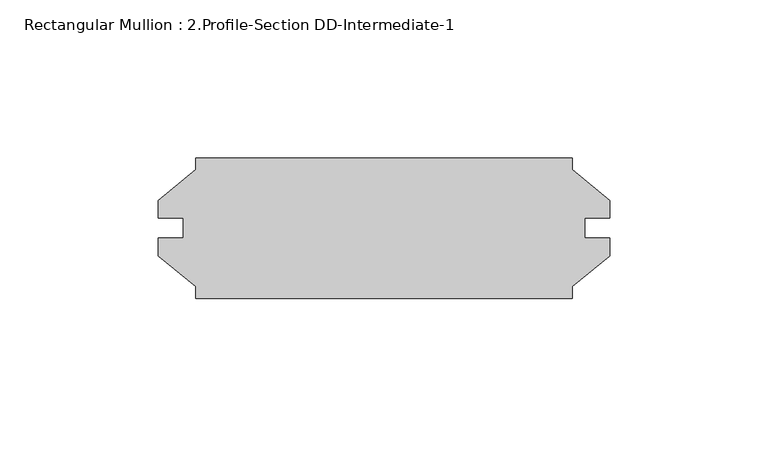
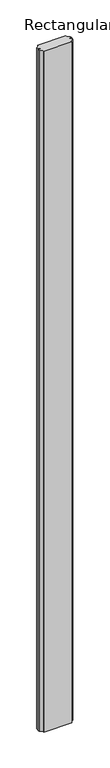
"""IFC4 building model written with IfcOpenShell, lengths in millimetres: member geometry, Rectangular Mullion : 2.Profile-Section DD-Intermediate-1."""

from ifc_helpers import new_model, si_unit, frame, origin, place, context, project, spatial, polyline, outline, extrude, source, transform, mapped, element, save


def rectangular_mullion_2_profile_section_dd_intermediate_1_618c639f(model_context):
    return source(origin(), model_context, "Body", "SweptSolid", [
        extrude(outline(polyline([(-11.90625, -19.357036), (-11.90625, -23.0632), (-130.95605, -23.0632), (-130.95605, -19.357036), (-142.8623, -9.5885), (-142.8623, -4.0132), (-134.91845, -4.0132), (-134.91845, 2.3368), (-142.8623, 2.3368), (-142.8623, 7.9121), (-130.95605, 17.680636), (-130.95605, 21.3868), (-11.90625, 21.3868), (-11.90625, 17.680636), (0.0, 7.9121), (0.0, 2.3368), (-7.94385, 2.3368), (-7.94385, -4.0132), (0.0, -4.0132), (0.0, -9.5885), (-11.90625, -19.357036)])), frame((0.0, 0.0, -3048.0), z_axis=(0.0, 0.0, 1.0), x_axis=(1.0, 0.0, 0.0)), (0.0, 0.0, 1.0), 3048.0),
    ])


if __name__ == "__main__":
    model = new_model("IFC4")
    model_context = context("Model", 3, world=origin())
    ifc_project = project(units=[si_unit("LENGTHUNIT", "METRE", prefix="MILLI")], contexts=[model_context])
    site = spatial("IfcSite", under=ifc_project)
    building = spatial("IfcBuilding", under=site)
    placement = place(None, origin())
    rectangular_mullion_2_profile_section_dd_intermediate_1_shape = rectangular_mullion_2_profile_section_dd_intermediate_1_618c639f(model_context)
    element("IfcMember", 1, ObjectType="Rectangular Mullion : 2.Profile-Section DD-Intermediate-1", at=placement, inside=building, context=model_context, shape_type="MappedRepresentation", body=[
        mapped(rectangular_mullion_2_profile_section_dd_intermediate_1_shape, transform((0.0, 0.0, 0.0), x_axis=(1.0, 0.0, 0.0), y_axis=(0.0, 1.0, 0.0), z_axis=(0.0, 0.0, 1.0))),
    ])
    save(model, "model.ifc")
